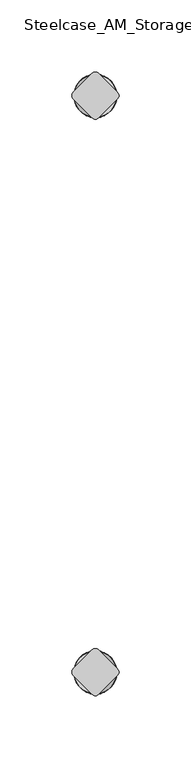
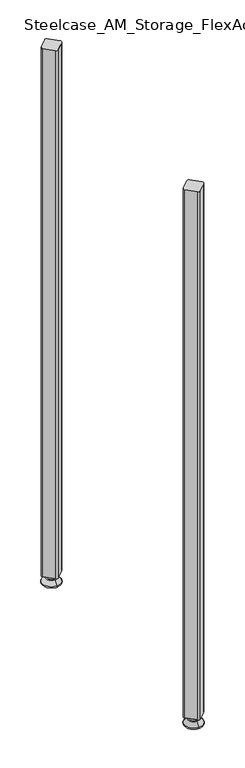
"""IFC4 building model written with IfcOpenShell, lengths in millimetres: furniture geometry, Steelcase_AM_Storage_FlexActiveFrames_FrameExtension : 2 High."""

from ifc_helpers import new_model, si_unit, point, frame, frame_2d, origin, place, context, project, spatial, polyline, circle_curve, ellipse_curve, trimmed, segment, composite_curve, outline, extrude, source, transform, mapped, element, save
from ifc_brep_helpers import plane_surface, cylinder_surface, revolved_surface, advanced_brep


def steelcase_am_storage_flexactiveframes_frameextension_2_high_a52f70fe(model_context):
    return source(origin(), model_context, "Body", "SolidModel", [
        advanced_brep(
        [(800.1, -3.999659, 15.9766), (800.1, 0.0, 15.9766), (800.1, 3.999659, 15.9766), (800.1, -3.999659, 12.6000054), (800.1, 3.999659, 12.6000054), (800.1, -5.8601455, 12.6000054), (800.1, 5.8601455, 12.6000054), (800.1, -6.4951462, 11.9650074), (800.1, 6.4951462, 11.9650074), (800.1, -6.4951462, 9.0000124), (800.1, 6.4951462, 9.0000124), (800.1, -8.7421976, 9.0000124), (800.1, 8.7421976, 9.0000124), (800.1, -14.7060077, 2.3275608), (800.1, 14.7060077, 2.3275608), (800.1, -13.664601, 0.0), (800.1, 13.664601, 0.0), (800.1, 0.0, 0.0)],
        [
            (0, 1),
            (1, 2),
            (2, 0, circle_curve(frame((800.1, 0.0, 15.9766), z_axis=(0.0, 0.0, 1.0), x_axis=(0.0, 1.0, 0.0)), 3.999659)),
            (0, 2, circle_curve(frame((800.1, 0.0, 15.9766), z_axis=(0.0, 0.0, 1.0), x_axis=(0.0, 1.0, 0.0)), 3.999659)),
            (3, 0),
            (2, 4),
            (4, 3, circle_curve(frame((800.1, 0.0, 12.6000054), z_axis=(0.0, 0.0, 1.0), x_axis=(0.0, 1.0, 0.0)), 3.999659)),
            (3, 4, circle_curve(frame((800.1, 0.0, 12.6000054), z_axis=(0.0, 0.0, 1.0), x_axis=(0.0, 1.0, 0.0)), 3.999659)),
            (5, 3),
            (4, 6),
            (6, 5, circle_curve(frame((800.1, 0.0, 12.6000054), z_axis=(0.0, 0.0, 1.0), x_axis=(0.0, 1.0, 0.0)), 5.8601455)),
            (5, 6, circle_curve(frame((800.1, 0.0, 12.6000054), z_axis=(0.0, 0.0, 1.0), x_axis=(0.0, 1.0, 0.0)), 5.8601455)),
            (7, 5, circle_curve(frame((800.1, -5.8601462, 11.9650074), z_axis=(-1.0, 0.0, 0.0), x_axis=(0.0, -1.0, 0.0)), 0.635)),
            (6, 8, circle_curve(frame((800.1, 5.8601462, 11.9650074), z_axis=(-1.0, 0.0, 0.0), x_axis=(0.0, 1.0, 0.0)), 0.635)),
            (8, 7, circle_curve(frame((800.1, 0.0, 11.9650074), z_axis=(0.0, 0.0, 1.0), x_axis=(0.0, 1.0, 0.0)), 6.4951462)),
            (7, 8, circle_curve(frame((800.1, 0.0, 11.9650074), z_axis=(0.0, 0.0, 1.0), x_axis=(0.0, 1.0, 0.0)), 6.4951462)),
            (9, 7),
            (8, 10),
            (10, 9, circle_curve(frame((800.1, 0.0, 9.0000124), z_axis=(0.0, 0.0, 1.0), x_axis=(0.0, 1.0, 0.0)), 6.4951462)),
            (9, 10, circle_curve(frame((800.1, 0.0, 9.0000124), z_axis=(0.0, 0.0, 1.0), x_axis=(0.0, 1.0, 0.0)), 6.4951462)),
            (11, 9),
            (10, 12),
            (12, 11, circle_curve(frame((800.1, 0.0, 9.0000124), z_axis=(0.0, 0.0, 1.0), x_axis=(0.0, 1.0, 0.0)), 8.7421976)),
            (11, 12, circle_curve(frame((800.1, 0.0, 9.0000124), z_axis=(0.0, 0.0, 1.0), x_axis=(0.0, 1.0, 0.0)), 8.7421976)),
            (13, 11),
            (12, 14),
            (14, 13, circle_curve(frame((800.1, 0.0, 2.3275608), z_axis=(0.0, 0.0, 1.0), x_axis=(0.0, 1.0, 0.0)), 14.7060077)),
            (13, 14, circle_curve(frame((800.1, 0.0, 2.3275608), z_axis=(0.0, 0.0, 1.0), x_axis=(0.0, 1.0, 0.0)), 14.7060077)),
            (15, 13, circle_curve(frame((800.1, -13.664601, 1.3967556), z_axis=(-1.0, 0.0, 0.0), x_axis=(0.0, -1.0, 0.0)), 1.3967556)),
            (14, 16, circle_curve(frame((800.1, 13.664601, 1.3967556), z_axis=(-1.0, 0.0, 0.0), x_axis=(0.0, 1.0, 0.0)), 1.3967556)),
            (16, 15, circle_curve(frame((800.1, 0.0, 0.0), z_axis=(0.0, 0.0, 1.0), x_axis=(0.0, 1.0, 0.0)), 13.664601)),
            (15, 16, circle_curve(frame((800.1, 0.0, 0.0), z_axis=(0.0, 0.0, 1.0), x_axis=(0.0, 1.0, 0.0)), 13.664601)),
            (17, 15),
            (16, 17),
        ],
        [
            plane_surface(frame((800.1, 0.0, 15.9766), z_axis=(0.0, 0.0, 1.0), x_axis=(0.0, 1.0, 0.0))),
            cylinder_surface(frame((800.1, 0.0, -4.132372), z_axis=(0.0, 0.0, -1.0), x_axis=(0.0, 1.0, 0.0)), 3.999659),
            plane_surface(frame((800.1, 0.0, 12.6000054), z_axis=(0.0, 0.0, 1.0), x_axis=(0.0, 1.0, 0.0))),
            revolved_surface(trimmed(ellipse_curve(frame((800.1, 5.8601462, 11.9650074), z_axis=(-1.0, 0.0, 0.0), x_axis=(0.0, 1.0, 0.0)), 0.635, 0.635), [point((800.1, 5.8601455, 12.6000074))], [point((800.1, 6.4951462, 11.9650074))], True, "CARTESIAN"), (800.1, 0.0, -4.132372), (0.0, 0.0, -1.0)),
            cylinder_surface(frame((800.1, 0.0, -4.132372), z_axis=(0.0, 0.0, -1.0), x_axis=(0.0, 1.0, 0.0)), 6.4951462),
            plane_surface(frame((800.1, 0.0, 9.0000124), z_axis=(0.0, 0.0, 1.0), x_axis=(0.0, 1.0, 0.0))),
            revolved_surface(polyline([(800.1, 8.7421976, 9.0000124), (800.1, 14.7060077, 2.3275608)]), (800.1, 0.0, -4.132372), (0.0, 0.0, -1.0)),
            revolved_surface(trimmed(ellipse_curve(frame((800.1, 13.664601, 1.3967556), z_axis=(-1.0, 0.0, 0.0), x_axis=(0.0, 1.0, 0.0)), 1.3967556, 1.3967556), [point((800.1, 14.7060077, 2.3275608))], [point((800.1, 13.664601, 0.0))], True, "CARTESIAN"), (800.1, 0.0, -4.132372), (0.0, 0.0, -1.0)),
            plane_surface(frame((800.1, 0.0, 0.0), z_axis=(0.0, 0.0, -1.0), x_axis=(0.0, 1.0, 0.0))),
        ],
        [
            (0, [[1, 2, 3]]),
            (0, [[-2, -1, 4]]),
            (1, [[5, -3, 6, 7]]),
            (1, [[-6, -4, -5, 8]]),
            (2, [[9, -7, 10, 11]]),
            (2, [[-10, -8, -9, 12]]),
            (3, [[13, -11, 14, 15]]),
            (3, [[-14, -12, -13, 16]]),
            (4, [[17, -15, 18, 19]]),
            (4, [[-18, -16, -17, 20]]),
            (5, [[21, -19, 22, 23]]),
            (5, [[-22, -20, -21, 24]]),
            (6, [[25, -23, 26, 27]]),
            (6, [[-26, -24, -25, 28]]),
            (7, [[29, -27, 30, 31]]),
            (7, [[-30, -28, -29, 32]]),
            (8, [[33, -31, 34]]),
            (8, [[-34, -32, -33]]),
        ],
    ),
        advanced_brep(
        [(800.1, 400.05, 15.9766), (800.1, 404.049659, 15.9766), (800.1, 396.050341, 15.9766), (800.1, 404.049659, 12.6000054), (800.1, 396.050341, 12.6000054), (800.1, 405.9101455, 12.6000074), (800.1, 394.1898545, 12.6000074), (800.1, 406.5451462, 11.9650074), (800.1, 393.5548538, 11.9650074), (800.1, 406.5451462, 9.0000124), (800.1, 393.5548538, 9.0000124), (800.1, 408.7921976, 9.0000124), (800.1, 391.3078024, 9.0000124), (800.1, 414.7560077, 2.3275608), (800.1, 385.3439923, 2.3275608), (800.1, 413.714601, 0.0), (800.1, 386.385399, 0.0), (800.1, 400.05, 0.0)],
        [
            (0, 1),
            (1, 2, circle_curve(frame((800.1, 400.05, 15.9766), z_axis=(0.0, 0.0, 1.0), x_axis=(0.0, -1.0, 0.0)), 3.999659)),
            (2, 0),
            (2, 1, circle_curve(frame((800.1, 400.05, 15.9766), z_axis=(0.0, 0.0, 1.0), x_axis=(0.0, -1.0, 0.0)), 3.999659)),
            (1, 3),
            (3, 4, circle_curve(frame((800.1, 400.05, 12.6000054), z_axis=(0.0, 0.0, 1.0), x_axis=(0.0, -1.0, 0.0)), 3.999659)),
            (4, 2),
            (4, 3, circle_curve(frame((800.1, 400.05, 12.6000054), z_axis=(0.0, 0.0, 1.0), x_axis=(0.0, -1.0, 0.0)), 3.999659)),
            (3, 5),
            (5, 6, circle_curve(frame((800.1, 400.05, 12.6000074), z_axis=(0.0, 0.0, 1.0), x_axis=(0.0, -1.0, 0.0)), 5.8601455)),
            (6, 4),
            (6, 5, circle_curve(frame((800.1, 400.05, 12.6000074), z_axis=(0.0, 0.0, 1.0), x_axis=(0.0, -1.0, 0.0)), 5.8601455)),
            (5, 7, circle_curve(frame((800.1, 405.9101462, 11.9650074), z_axis=(-1.0, 0.0, 0.0), x_axis=(0.0, 1.0, 0.0)), 0.635)),
            (7, 8, circle_curve(frame((800.1, 400.05, 11.9650074), z_axis=(0.0, 0.0, 1.0), x_axis=(0.0, -1.0, 0.0)), 6.4951462)),
            (8, 6, circle_curve(frame((800.1, 394.1898538, 11.9650074), z_axis=(-1.0, 0.0, 0.0), x_axis=(0.0, -1.0, 0.0)), 0.635)),
            (8, 7, circle_curve(frame((800.1, 400.05, 11.9650074), z_axis=(0.0, 0.0, 1.0), x_axis=(0.0, -1.0, 0.0)), 6.4951462)),
            (7, 9),
            (9, 10, circle_curve(frame((800.1, 400.05, 9.0000124), z_axis=(0.0, 0.0, 1.0), x_axis=(0.0, -1.0, 0.0)), 6.4951462)),
            (10, 8),
            (10, 9, circle_curve(frame((800.1, 400.05, 9.0000124), z_axis=(0.0, 0.0, 1.0), x_axis=(0.0, -1.0, 0.0)), 6.4951462)),
            (9, 11),
            (11, 12, circle_curve(frame((800.1, 400.05, 9.0000124), z_axis=(0.0, 0.0, 1.0), x_axis=(0.0, -1.0, 0.0)), 8.7421976)),
            (12, 10),
            (12, 11, circle_curve(frame((800.1, 400.05, 9.0000124), z_axis=(0.0, 0.0, 1.0), x_axis=(0.0, -1.0, 0.0)), 8.7421976)),
            (11, 13),
            (13, 14, circle_curve(frame((800.1, 400.05, 2.3275608), z_axis=(0.0, 0.0, 1.0), x_axis=(0.0, -1.0, 0.0)), 14.7060077)),
            (14, 12),
            (14, 13, circle_curve(frame((800.1, 400.05, 2.3275608), z_axis=(0.0, 0.0, 1.0), x_axis=(0.0, -1.0, 0.0)), 14.7060077)),
            (13, 15, circle_curve(frame((800.1, 413.714601, 1.3967556), z_axis=(-1.0, 0.0, 0.0), x_axis=(0.0, 1.0, 0.0)), 1.3967556)),
            (15, 16, circle_curve(frame((800.1, 400.05, 0.0), z_axis=(0.0, 0.0, 1.0), x_axis=(0.0, -1.0, 0.0)), 13.664601)),
            (16, 14, circle_curve(frame((800.1, 386.385399, 1.3967556), z_axis=(-1.0, 0.0, 0.0), x_axis=(0.0, -1.0, 0.0)), 1.3967556)),
            (16, 15, circle_curve(frame((800.1, 400.05, 0.0), z_axis=(0.0, 0.0, 1.0), x_axis=(0.0, -1.0, 0.0)), 13.664601)),
            (15, 17),
            (17, 16),
        ],
        [
            plane_surface(frame((800.1, 400.05, 15.9766), z_axis=(0.0, 0.0, 1.0), x_axis=(0.0, -1.0, 0.0))),
            cylinder_surface(frame((800.1, 400.05, -4.132372), z_axis=(0.0, 0.0, 1.0), x_axis=(0.0, -1.0, 0.0)), 3.999659),
            plane_surface(frame((800.1, 400.05, 12.6000074), z_axis=(0.0, 0.0, 1.0), x_axis=(0.0, -1.0, 0.0))),
            revolved_surface(trimmed(ellipse_curve(frame((800.1, 394.1898538, 11.9650074), z_axis=(-1.0, 0.0, 0.0), x_axis=(0.0, -1.0, 0.0)), 0.635, 0.635), [point((800.1, 393.5548538, 11.9650074))], [point((800.1, 394.1898545, 12.6000074))], True, "CARTESIAN"), (800.1, 400.05, -4.132372), (0.0, 0.0, 1.0)),
            cylinder_surface(frame((800.1, 400.05, -4.132372), z_axis=(0.0, 0.0, 1.0), x_axis=(0.0, -1.0, 0.0)), 6.4951462),
            plane_surface(frame((800.1, 400.05, 9.0000124), z_axis=(0.0, 0.0, 1.0), x_axis=(0.0, -1.0, 0.0))),
            revolved_surface(polyline([(800.1, 385.3439923, 2.3275608), (800.1, 391.3078024, 9.0000124)]), (800.1, 400.05, -4.132372), (0.0, 0.0, 1.0)),
            revolved_surface(trimmed(ellipse_curve(frame((800.1, 386.385399, 1.3967556), z_axis=(-1.0, 0.0, 0.0), x_axis=(0.0, -1.0, 0.0)), 1.3967556, 1.3967556), [point((800.1, 386.385399, 0.0))], [point((800.1, 385.3439923, 2.3275608))], True, "CARTESIAN"), (800.1, 400.05, -4.132372), (0.0, 0.0, 1.0)),
            plane_surface(frame((800.1, 400.05, 0.0), z_axis=(0.0, 0.0, -1.0), x_axis=(0.0, -1.0, 0.0))),
        ],
        [
            (0, [[1, 2, 3]]),
            (0, [[-3, 4, -1]]),
            (1, [[5, 6, 7, -2]]),
            (1, [[-7, 8, -5, -4]]),
            (2, [[9, 10, 11, -6]]),
            (2, [[-11, 12, -9, -8]]),
            (3, [[13, 14, 15, -10]]),
            (3, [[-15, 16, -13, -12]]),
            (4, [[17, 18, 19, -14]]),
            (4, [[-19, 20, -17, -16]]),
            (5, [[21, 22, 23, -18]]),
            (5, [[-23, 24, -21, -20]]),
            (6, [[25, 26, 27, -22]]),
            (6, [[-27, 28, -25, -24]]),
            (7, [[29, 30, 31, -26]]),
            (7, [[-31, 32, -29, -28]]),
            (8, [[33, 34, -30]]),
            (8, [[-34, -33, -32]]),
        ],
    ),
        extrude(outline(composite_curve([segment(polyline([(802.345064, 15.4326055), (815.5326055, 2.245064)]), True, "CONTINUOUS"), segment(trimmed(circle_curve(frame_2d((813.2875415, 0.0)), 3.175), [point((815.5326055, 2.245064))], [point((815.5326055, -2.245064))], False, "CARTESIAN"), True, "CONTINUOUS"), segment(polyline([(815.5326055, -2.245064), (802.345064, -15.4326055)]), True, "CONTINUOUS"), segment(trimmed(circle_curve(frame_2d((800.1, -13.1875415)), 3.175), [point((802.345064, -15.4326055))], [point((797.854936, -15.4326055))], False, "CARTESIAN"), True, "CONTINUOUS"), segment(polyline([(797.854936, -15.4326055), (784.6673945, -2.245064)]), True, "CONTINUOUS"), segment(trimmed(circle_curve(frame_2d((786.9124585, 0.0)), 3.175), [point((784.6673945, -2.245064))], [point((784.6673945, 2.245064))], False, "CARTESIAN"), True, "CONTINUOUS"), segment(polyline([(784.6673945, 2.245064), (797.854936, 15.4326055)]), True, "CONTINUOUS"), segment(trimmed(circle_curve(frame_2d((800.1, 13.1875415)), 3.175), [point((797.854936, 15.4326055))], [point((802.345064, 15.4326055))], False, "CARTESIAN"), True, "CONTINUOUS")], self_intersect=False)), frame((0.0, 0.0, 15.9766), z_axis=(0.0, 0.0, 1.0), x_axis=(1.0, 0.0, 0.0)), (0.0, 0.0, 1.0), 907.3134),
        extrude(outline(composite_curve([segment(trimmed(circle_curve(frame_2d((800.1, 386.8624585)), 3.175), [point((802.345064, 384.6173945))], [point((797.854936, 384.6173945))], False, "CARTESIAN"), True, "CONTINUOUS"), segment(polyline([(797.854936, 384.6173945), (784.6673945, 397.804936)]), True, "CONTINUOUS"), segment(trimmed(circle_curve(frame_2d((786.9124585, 400.05)), 3.175), [point((784.6673945, 397.804936))], [point((784.6673945, 402.295064))], False, "CARTESIAN"), True, "CONTINUOUS"), segment(polyline([(784.6673945, 402.295064), (797.854936, 415.4826055)]), True, "CONTINUOUS"), segment(trimmed(circle_curve(frame_2d((800.1, 413.2375415)), 3.175), [point((797.854936, 415.4826055))], [point((802.345064, 415.4826055))], False, "CARTESIAN"), True, "CONTINUOUS"), segment(polyline([(802.345064, 415.4826055), (815.5326055, 402.295064)]), True, "CONTINUOUS"), segment(trimmed(circle_curve(frame_2d((813.2875415, 400.05)), 3.175), [point((815.5326055, 402.295064))], [point((815.5326055, 397.804936))], False, "CARTESIAN"), True, "CONTINUOUS"), segment(polyline([(815.5326055, 397.804936), (802.345064, 384.6173945)]), True, "CONTINUOUS")], self_intersect=False)), frame((0.0, 0.0, 15.9766), z_axis=(0.0, 0.0, 1.0), x_axis=(1.0, 0.0, 0.0)), (0.0, 0.0, 1.0), 907.3134),
    ])


if __name__ == "__main__":
    model = new_model("IFC4")
    model_context = context("Model", 3, world=origin())
    ifc_project = project(units=[si_unit("LENGTHUNIT", "METRE", prefix="MILLI")], contexts=[model_context])
    site = spatial("IfcSite", under=ifc_project)
    building = spatial("IfcBuilding", under=site)
    placement = place(None, origin())
    steelcase_am_storage_flexactiveframes_frameextension_2_high_shape = steelcase_am_storage_flexactiveframes_frameextension_2_high_a52f70fe(model_context)
    element("IfcFurniture", 1, ObjectType="Steelcase_AM_Storage_FlexActiveFrames_FrameExtension : 2 High", at=placement, inside=building, context=model_context, shape_type="MappedRepresentation", body=[
        mapped(steelcase_am_storage_flexactiveframes_frameextension_2_high_shape, transform((0.0, 0.0, 0.0), x_axis=(1.0, 0.0, 0.0), y_axis=(0.0, 1.0, 0.0), z_axis=(0.0, 0.0, 1.0))),
    ])
    save(model, "model.ifc")
